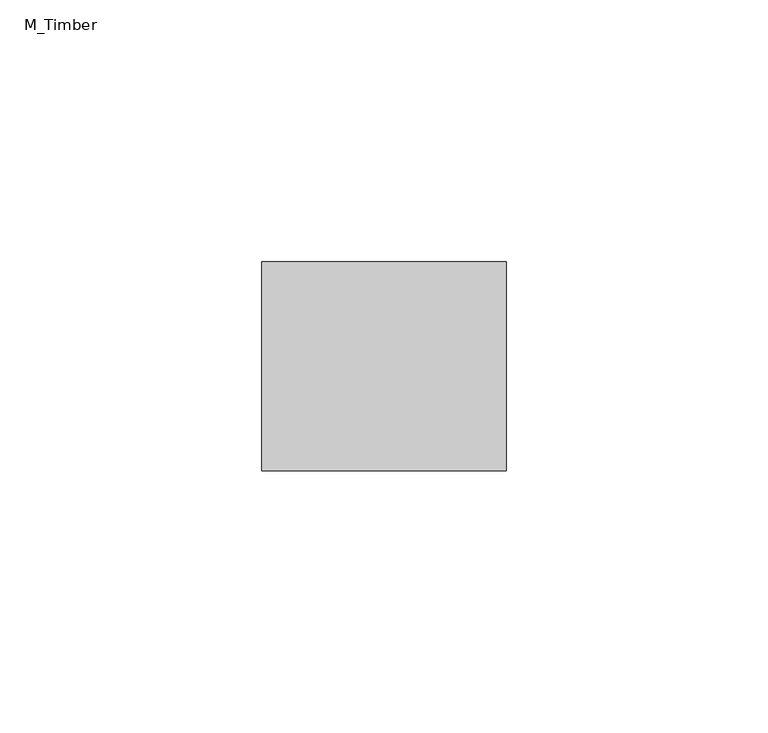
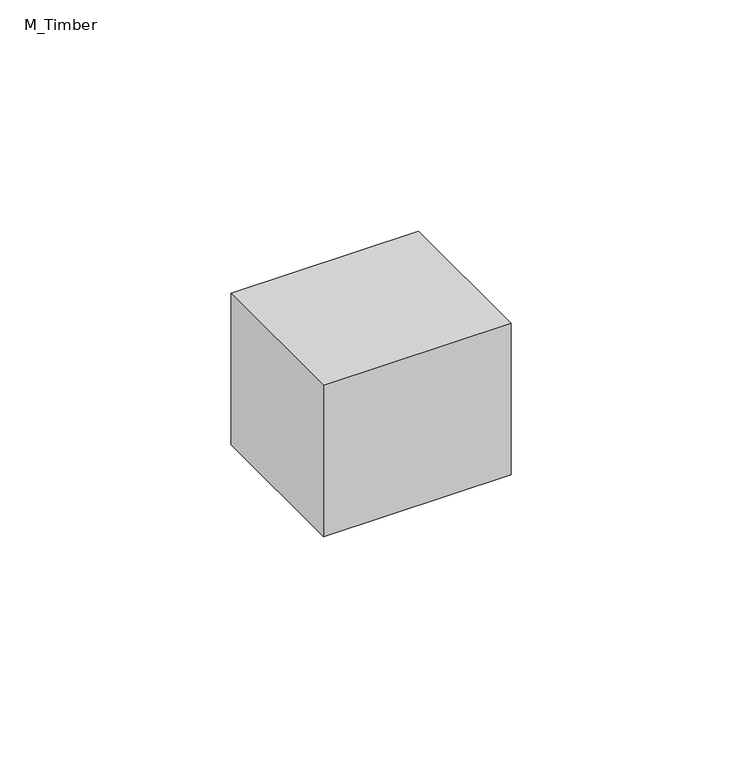
"""IFC4 building model written with IfcOpenShell, lengths in millimetres: beam geometry, M_Timber."""

from ifc_helpers import new_model, si_unit, frame, origin, place, context, project, spatial, polyline, outline, extrude, source, transform, mapped, element, save


def m_timber_1472cdf3(model_context):
    return source(origin(), model_context, "Body", "SweptSolid", [
        extrude(outline(polyline([(23.3827905, 20.0), (23.3827905, -20.0), (-23.3827905, -20.0), (-23.3827905, 20.0), (23.3827905, 20.0)])), frame((0.0, 0.0, -20.0), z_axis=(0.0, 0.0, 1.0), x_axis=(1.0, 0.0, 0.0)), (0.0, 0.0, 1.0), 40.0),
    ])


if __name__ == "__main__":
    model = new_model("IFC4")
    model_context = context("Model", 3, world=origin())
    ifc_project = project(units=[si_unit("LENGTHUNIT", "METRE", prefix="MILLI")], contexts=[model_context])
    site = spatial("IfcSite", under=ifc_project)
    building = spatial("IfcBuilding", under=site)
    placement = place(None, origin())
    m_timber_shape = m_timber_1472cdf3(model_context)
    element("IfcBeam", 1, ObjectType="M_Timber", at=placement, inside=building, context=model_context, shape_type="MappedRepresentation", body=[
        mapped(m_timber_shape, transform((0.0, 0.0, 0.0), x_axis=(1.0, 0.0, 0.0), y_axis=(0.0, 1.0, 0.0), z_axis=(0.0, 0.0, 1.0))),
    ])
    save(model, "model.ifc")
